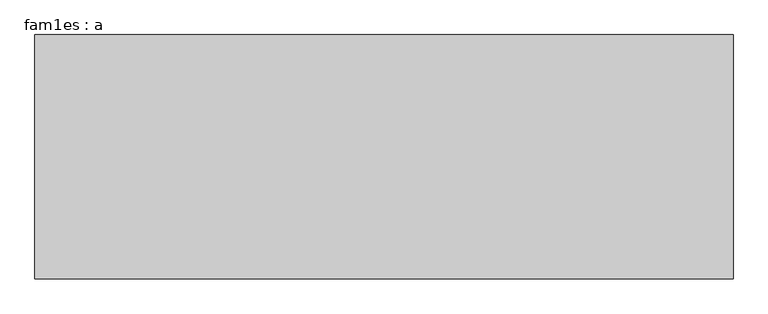
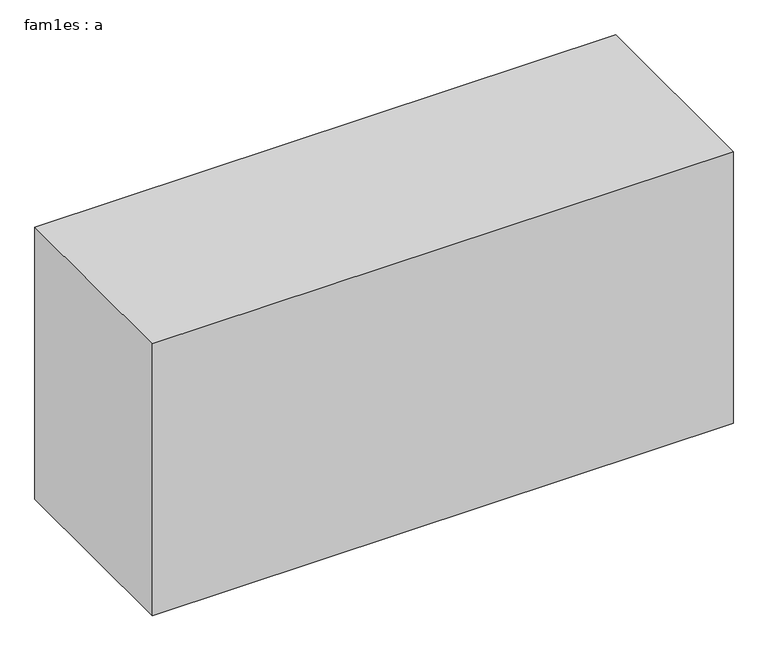
"""IFC4 building model written with IfcOpenShell, lengths in millimetres: proxy geometry, fam1es : a."""

from ifc_helpers import new_model, si_unit, frame, origin, place, context, project, spatial, polyline, outline, extrude, source, transform, mapped, element, save


def fam1es_a_fd370016(model_context):
    return source(origin(), model_context, "Body", "SweptSolid", [
        extrude(outline(polyline([(20000.0, 7000.0), (20000.0, 0.0), (0.0, 0.0), (0.0, 7000.0), (20000.0, 7000.0)])), frame((0.0, 0.0, 100.0), z_axis=(0.0, 0.0, 1.0), x_axis=(1.0, 0.0, 0.0)), (0.0, 0.0, 1.0), 9900.0),
    ])


if __name__ == "__main__":
    model = new_model("IFC4")
    model_context = context("Model", 3, world=origin())
    ifc_project = project(units=[si_unit("LENGTHUNIT", "METRE", prefix="MILLI")], contexts=[model_context])
    site = spatial("IfcSite", under=ifc_project)
    building = spatial("IfcBuilding", under=site)
    placement = place(None, origin())
    fam1es_a_shape = fam1es_a_fd370016(model_context)
    element("IfcBuildingElementProxy", 1, Name="fam1es : a", ObjectType="fam1es : a", at=placement, inside=building, context=model_context, shape_type="MappedRepresentation", body=[
        mapped(fam1es_a_shape, transform((0.0, 0.0, 0.0), x_axis=(1.0, 0.0, 0.0), y_axis=(0.0, 1.0, 0.0), z_axis=(0.0, 0.0, 1.0))),
    ])
    save(model, "model.ifc")
